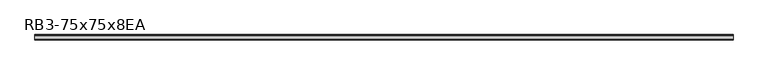
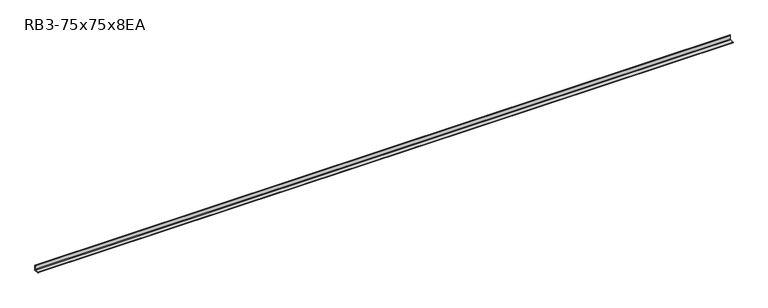
"""IFC4 building model written with IfcOpenShell, lengths in millimetres: member geometry, RB3-75x75x8EA."""

import ifcopenshell
import ifcopenshell.guid

model = None  # the IFC model being written
_history = None  # IfcOwnerHistory: only IFC2X3 demands one
_inside = {}  # id of a spatial element -> (the spatial element, [elements in it])
_under = {}  # id of a project, library or spatial element -> (it, [spatial elements below it])
_declared = {}  # id of a project -> (the project, [libraries it declares])
_typed = {}  # id of a type object -> (the type object, [elements of that type])
_made_of = {}  # id of a material, layer set ... -> (it, [elements and type objects made of it])


def new_model(schema):
    """Start an empty IFC model of exactly this schema.

    Asked for "IFC4X3", IfcOpenShell would pick the latest addendum, in which some entities
    have other attributes; the version numbers below select the first issue.
    IFC2X3 requires an IfcOwnerHistory on every rooted entity: one is made here for all.
    """
    global model, _history
    if schema == "IFC4X3":
        model = ifcopenshell.file(schema_version=(4, 3, 0, 0))
    else:
        model = ifcopenshell.file(schema=schema)
    _inside.clear()
    _under.clear()
    _declared.clear()
    _typed.clear()
    _made_of.clear()
    _history = None
    if model.schema == "IFC2X3":
        org = make("IfcOrganization", Name="unknown")
        user = make(
            "IfcPersonAndOrganization",
            ThePerson=make("IfcPerson", FamilyName="unknown"),
            TheOrganization=org,
        )
        app = make(
            "IfcApplication",
            ApplicationDeveloper=org,
            Version="unknown",
            ApplicationFullName="unknown",
            ApplicationIdentifier="unknown",
        )
        _history = make(
            "IfcOwnerHistory",
            OwningUser=user,
            OwningApplication=app,
            ChangeAction="ADDED",
            CreationDate=0,
        )
    return model


def make(cls, **values):
    """One entity of the class cls with the attributes given. An attribute that is None is left unset."""
    return model.create_entity(
        cls, **{name: value for name, value in values.items() if value is not None}
    )


def rooted(cls, **values):
    """An entity with a GlobalId (a new one), such as an element, a storey or a relation."""
    return make(cls, GlobalId=ifcopenshell.guid.new(), OwnerHistory=_history, **values)


def si_unit(unit_type, name, prefix=None):
    """IfcSIUnit, for example si_unit("LENGTHUNIT", "METRE", prefix="MILLI")."""
    return make("IfcSIUnit", UnitType=unit_type, Prefix=prefix, Name=name)


def assignment(units):
    """IfcUnitAssignment: the units of a project."""
    return None if units is None else make("IfcUnitAssignment", Units=units)


def point(xyz):
    """IfcCartesianPoint."""
    return None if xyz is None else make("IfcCartesianPoint", Coordinates=xyz)


def direction(xyz):
    """IfcDirection."""
    return None if xyz is None else make("IfcDirection", DirectionRatios=xyz)


def frame(location, z_axis=None, x_axis=None):
    """IfcAxis2Placement3D, a coordinate frame: its origin and axes. An axis left out is left unset."""
    return make(
        "IfcAxis2Placement3D",
        Location=point(location),
        Axis=direction(z_axis),
        RefDirection=direction(x_axis),
    )


def frame_2d(location, x_axis=None):
    """IfcAxis2Placement2D, a coordinate frame in the plane: its origin and x axis."""
    return make(
        "IfcAxis2Placement2D", Location=point(location), RefDirection=direction(x_axis)
    )


def origin():
    """The frame at (0, 0, 0) with its axes left unset."""
    return frame((0.0, 0.0, 0.0))


def place(relative_to, where):
    """IfcLocalPlacement: puts the frame where relative to a parent placement (None: the world)."""
    return make(
        "IfcLocalPlacement", PlacementRelTo=relative_to, RelativePlacement=where
    )


def context(
    kind, dimensions, precision=None, world=None, true_north=None, identifier=None
):
    """IfcGeometricRepresentationContext, for example the 3D "Model" context."""
    return make(
        "IfcGeometricRepresentationContext",
        ContextIdentifier=identifier,
        ContextType=kind,
        CoordinateSpaceDimension=dimensions,
        Precision=precision,
        WorldCoordinateSystem=world,
        TrueNorth=true_north,
    )


def project(units=None, contexts=None):
    """IfcProject with its units and contexts."""
    return rooted(
        "IfcProject",
        Name="project",
        RepresentationContexts=contexts,
        UnitsInContext=assignment(units),
    )


def spatial(cls, under=None, at=None, **own):
    """A site, building, storey or space (cls), placed at a placement, below another one or the project."""
    s = rooted(cls, ObjectPlacement=at, **own)
    if under is not None:
        _under.setdefault(under.id(), (under, []))[1].append(s)
    return s


def polyline(points):
    """IfcPolyline through the points."""
    return make("IfcPolyline", Points=[point(p) for p in points])


def circle_curve(where, radius):
    """IfcCircle in the frame where."""
    return make("IfcCircle", Position=where, Radius=radius)


def trimmed(basis, trim1, trim2, sense, master):
    """IfcTrimmedCurve: the piece of a basis curve between two trims."""
    return make(
        "IfcTrimmedCurve",
        BasisCurve=basis,
        Trim1=trim1,
        Trim2=trim2,
        SenseAgreement=sense,
        MasterRepresentation=master,
    )


def segment(curve, same_sense, transition):
    """IfcCompositeCurveSegment."""
    return make(
        "IfcCompositeCurveSegment",
        Transition=transition,
        SameSense=same_sense,
        ParentCurve=curve,
    )


def composite_curve(segments, self_intersect=None):
    """IfcCompositeCurve: segments joined end to end."""
    return make("IfcCompositeCurve", Segments=segments, SelfIntersect=self_intersect)


def outline(outer, holes=None, kind="AREA"):
    """IfcArbitraryClosedProfileDef: a profile drawn as a closed curve; with holes, ...WithVoids."""
    if holes is None:
        return make("IfcArbitraryClosedProfileDef", ProfileType=kind, OuterCurve=outer)
    return make(
        "IfcArbitraryProfileDefWithVoids",
        ProfileType=kind,
        OuterCurve=outer,
        InnerCurves=holes,
    )


def extrude(swept, where, along, depth):
    """IfcExtrudedAreaSolid: the profile swept, set in the frame where, extruded along a direction by depth."""
    return make(
        "IfcExtrudedAreaSolid",
        SweptArea=swept,
        Position=where,
        ExtrudedDirection=direction(along),
        Depth=depth,
    )


def shape(context_of_items, identifier, shape_type, items):
    """IfcShapeRepresentation: the items that make up one representation, for example the "Body"."""
    return make(
        "IfcShapeRepresentation",
        ContextOfItems=context_of_items,
        RepresentationIdentifier=identifier,
        RepresentationType=shape_type,
        Items=items,
    )


def source(mapping_origin, context_of_items, identifier, shape_type, items):
    """IfcRepresentationMap: a shape defined once, which mapped items show again and again."""
    return make(
        "IfcRepresentationMap",
        MappingOrigin=mapping_origin,
        MappedRepresentation=shape(context_of_items, identifier, shape_type, items),
    )


def transform(
    local_origin,
    x_axis=None,
    y_axis=None,
    z_axis=None,
    scale=None,
    scale2=None,
    scale3=None,
    uniform=True,
):
    """IfcCartesianTransformationOperator3D, or its non-uniform kind. x_axis, y_axis, z_axis: its Axis1, 2, 3."""
    if uniform:
        return make(
            "IfcCartesianTransformationOperator3D",
            Axis1=direction(x_axis),
            Axis2=direction(y_axis),
            LocalOrigin=point(local_origin),
            Scale=scale,
            Axis3=direction(z_axis),
        )
    return make(
        "IfcCartesianTransformationOperator3DnonUniform",
        Axis1=direction(x_axis),
        Axis2=direction(y_axis),
        LocalOrigin=point(local_origin),
        Scale=scale,
        Axis3=direction(z_axis),
        Scale2=scale2,
        Scale3=scale3,
    )


def mapped(mapping_source, mapping_target):
    """IfcMappedItem: shows the shape of a source again, moved by a transform."""
    return make(
        "IfcMappedItem", MappingSource=mapping_source, MappingTarget=mapping_target
    )


def made_of(thing, what):
    """Note that an element or type object is made of a material, layer set ...; save() writes the relation."""
    if what is not None:
        _made_of.setdefault(what.id(), (what, []))[1].append(thing)
    return thing


def element(
    cls,
    number,
    at=None,
    inside=None,
    cuts=None,
    type_object=None,
    material=None,
    context=None,
    identifier="Body",
    shape_type=None,
    held_by="IfcProductDefinitionShape",
    body=None,
    shapes=None,
    **own,
):
    """One element of the class cls, such as IfcWall. Its Tag is "e" and its number.

    at: its placement. inside: the storey or other place that contains it. cuts: it is an
    opening in that element (IfcRelVoidsElement). A single representation is given by context,
    identifier, shape_type and body (its items); several are given by shapes. held_by: the class
    of the entity that holds the representations. save() writes the other relations.
    """
    e = rooted(cls, Tag="e%d" % number, ObjectPlacement=at, **own)
    if body is not None:
        shapes = [shape(context, identifier, shape_type, body)]
    if shapes is not None:
        e.Representation = make(held_by, Representations=shapes)
    if inside is not None:
        _inside.setdefault(inside.id(), (inside, []))[1].append(e)
    if cuts is not None:
        rooted(
            "IfcRelVoidsElement", RelatingBuildingElement=cuts, RelatedOpeningElement=e
        )
    if type_object is not None:
        _typed.setdefault(type_object.id(), (type_object, []))[1].append(e)
    return made_of(e, material)


def aggregate(whole, parts):
    """IfcRelAggregates: a whole, such as a stair, and the parts it consists of."""
    return rooted("IfcRelAggregates", RelatingObject=whole, RelatedObjects=parts)


def save(model, path):
    """Write the relations noted so far, then the file.

    IfcRelAggregates (storeys below a building ...), IfcRelContainedInSpatialStructure (elements
    in a storey), IfcRelDefinesByType, IfcRelAssociatesMaterial and IfcRelDeclares: one each for
    every whole, place, type object, material and project.
    """
    for whole, parts in _under.values():
        aggregate(whole, parts)
    for where, things in _inside.values():
        rooted(
            "IfcRelContainedInSpatialStructure",
            RelatedElements=things,
            RelatingStructure=where,
        )
    for kind, things in _typed.values():
        rooted("IfcRelDefinesByType", RelatedObjects=things, RelatingType=kind)
    for what, things in _made_of.values():
        rooted("IfcRelAssociatesMaterial", RelatedObjects=things, RelatingMaterial=what)
    for by, libraries in _declared.values():
        rooted("IfcRelDeclares", RelatingContext=by, RelatedDefinitions=libraries)
    model.write(path)


def rb3_75x75x8ea_c043aeff(model_context):
    return source(origin(), model_context, "Body", "SweptSolid", [
        extrude(outline(composite_curve([segment(polyline([(21.3, -21.3), (-53.7, -21.3), (-53.7, -18.3)]), True, "CONTINUOUS"), segment(trimmed(circle_curve(frame_2d((-48.7, -18.3)), 5.0), [point((-53.7, -18.3))], [point((-48.7, -13.3))], False, "CARTESIAN"), True, "CONTINUOUS"), segment(polyline([(-48.7, -13.3), (5.3, -13.3)]), True, "CONTINUOUS"), segment(trimmed(circle_curve(frame_2d((5.3, -5.3)), 8.0), [point((5.3, -13.3))], [point((13.3, -5.3))], True, "CARTESIAN"), True, "CONTINUOUS"), segment(polyline([(13.3, -5.3), (13.3, 48.7)]), True, "CONTINUOUS"), segment(trimmed(circle_curve(frame_2d((18.3, 48.7)), 5.0), [point((13.3, 48.7))], [point((18.3, 53.7))], False, "CARTESIAN"), True, "CONTINUOUS"), segment(polyline([(18.3, 53.7), (21.3, 53.7), (21.3, -21.3)]), True, "CONTINUOUS")], self_intersect=False)), frame((-5095.0, 0.0, 0.0), z_axis=(1.0, 0.0, 0.0), x_axis=(0.0, 1.0, 0.0)), (0.0, 0.0, 1.0), 10085.0),
    ])


if __name__ == "__main__":
    model = new_model("IFC4")
    model_context = context("Model", 3, world=origin())
    ifc_project = project(units=[si_unit("LENGTHUNIT", "METRE", prefix="MILLI")], contexts=[model_context])
    site = spatial("IfcSite", under=ifc_project)
    building = spatial("IfcBuilding", under=site)
    placement = place(None, origin())
    rb3_75x75x8ea_shape = rb3_75x75x8ea_c043aeff(model_context)
    element("IfcMember", 1, ObjectType="RB3-75x75x8EA", at=placement, inside=building, context=model_context, shape_type="MappedRepresentation", body=[
        mapped(rb3_75x75x8ea_shape, transform((0.0, 0.0, 0.0), x_axis=(1.0, 0.0, 0.0), y_axis=(0.0, 1.0, 0.0), z_axis=(0.0, 0.0, 1.0))),
    ])
    save(model, "model.ifc")
